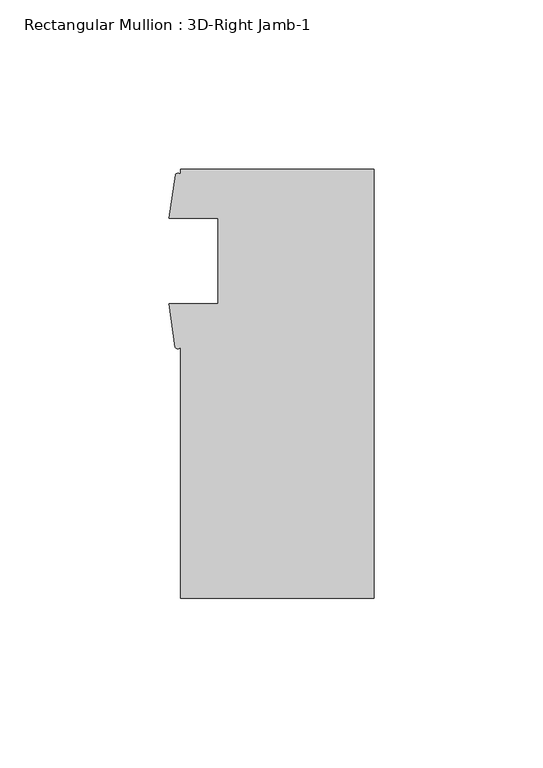
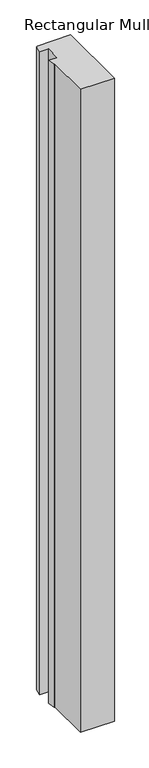
"""IFC4 building model written with IfcOpenShell, lengths in millimetres: member geometry, Rectangular Mullion : 3D-Right Jamb-1."""

from ifc_helpers import new_model, si_unit, point, frame, frame_2d, origin, place, context, project, spatial, polyline, circle_curve, trimmed, segment, composite_curve, outline, extrude, source, transform, mapped, element, save


def rectangular_mullion_3d_right_jamb_1_a9c2320a(model_context):
    return source(origin(), model_context, "Body", "SweptSolid", [
        extrude(outline(composite_curve([segment(polyline([(0.0, -73.025), (-57.15, -73.025), (-57.15, 1.2984222)]), True, "CONTINUOUS"), segment(trimmed(circle_curve(frame_2d((-57.9817022, 1.8187213)), 0.9810401), [point((-57.15, 1.2984222))], [point((-58.8134044, 1.2984222))], False, "CARTESIAN"), True, "CONTINUOUS"), segment(polyline([(-58.8134044, 1.2984222), (-60.6695217, 14.071475), (-46.0375, 14.071475), (-46.0375, 39.471475), (-60.546, 39.471475), (-58.7358963, 52.2427625)]), True, "CONTINUOUS"), segment(trimmed(circle_curve(frame_2d((-57.9429481, 51.7715389)), 0.9223982), [point((-58.7358963, 52.2427625))], [point((-57.15, 52.2427625))], False, "CARTESIAN"), True, "CONTINUOUS"), segment(polyline([(-57.15, 52.2427625), (-57.15, 53.975), (0.0, 53.975), (0.0, -73.025)]), True, "CONTINUOUS")], self_intersect=False)), frame((0.0, 0.0, -1143.0000003), z_axis=(0.0, 0.0, 1.0), x_axis=(1.0, 0.0, 0.0)), (0.0, 0.0, 1.0), 1143.0000003),
    ])


if __name__ == "__main__":
    model = new_model("IFC4")
    model_context = context("Model", 3, world=origin())
    ifc_project = project(units=[si_unit("LENGTHUNIT", "METRE", prefix="MILLI")], contexts=[model_context])
    site = spatial("IfcSite", under=ifc_project)
    building = spatial("IfcBuilding", under=site)
    placement = place(None, origin())
    rectangular_mullion_3d_right_jamb_1_shape = rectangular_mullion_3d_right_jamb_1_a9c2320a(model_context)
    element("IfcMember", 1, ObjectType="Rectangular Mullion : 3D-Right Jamb-1", at=placement, inside=building, context=model_context, shape_type="MappedRepresentation", body=[
        mapped(rectangular_mullion_3d_right_jamb_1_shape, transform((0.0, 0.0, 0.0), x_axis=(1.0, 0.0, 0.0), y_axis=(0.0, 1.0, 0.0), z_axis=(0.0, 0.0, 1.0))),
    ])
    save(model, "model.ifc")
